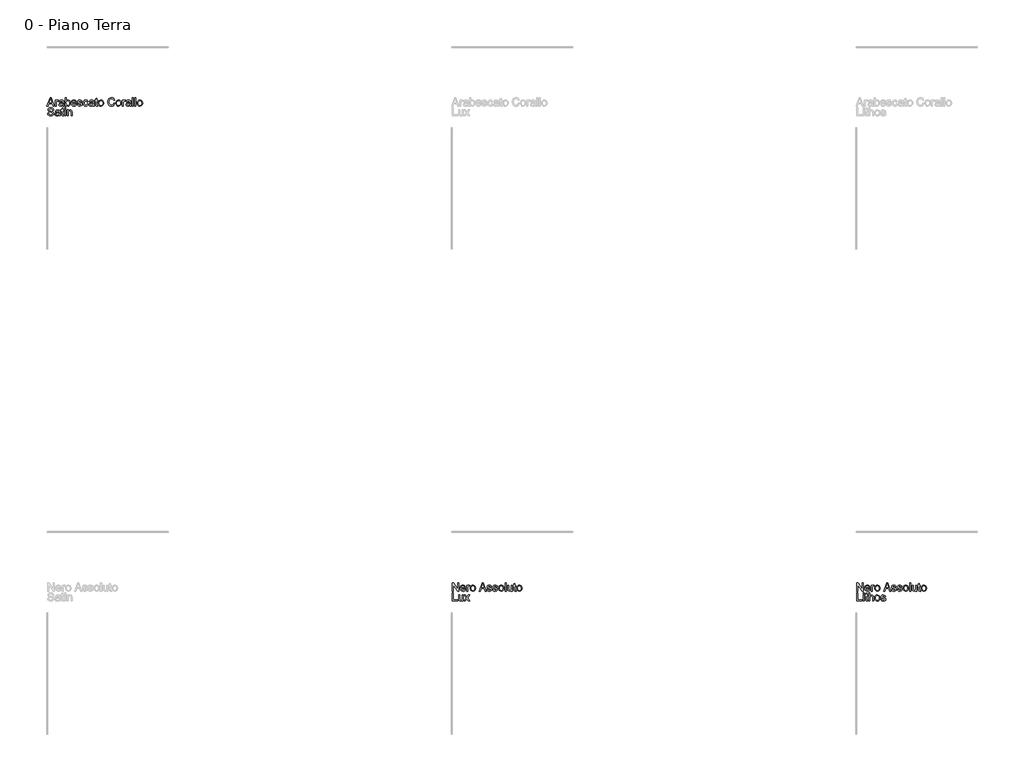
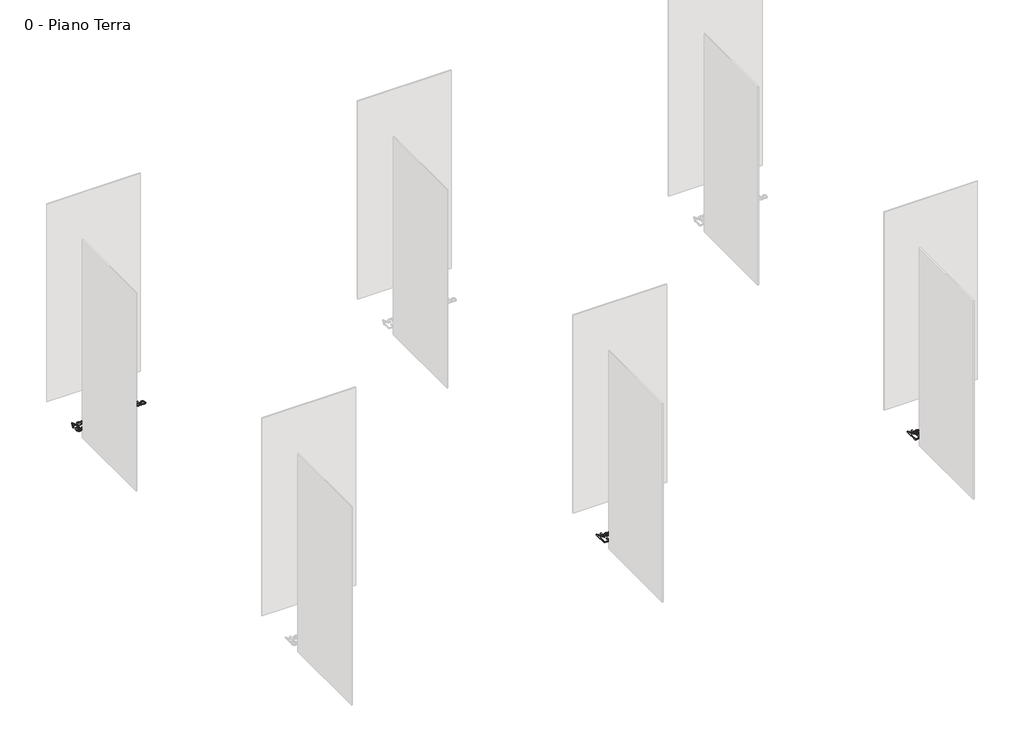
# One storey, part 30 of 35: 3 proxies.
"""IFC4 building model written with IfcOpenShell, lengths in millimetres."""

from ifc_helpers import new_model, si_unit, origin, origin_with_axes, place, context, project, spatial, polyline, outline, extrude, element, save

model = new_model("IFC4")

# Units and contexts
model_context = context("Model", 3, world=origin())
ifc_project = project(units=[si_unit("LENGTHUNIT", "METRE", prefix="MILLI")], contexts=[model_context])

# Site, building, storey
site = spatial("IfcSite", under=ifc_project)
building = spatial("IfcBuilding", under=site)
storey = spatial("IfcBuildingStorey", under=building, Name="0 - Piano Terra", Elevation=0.0)

# Proxies
placement = place(None, origin())
element("IfcBuildingElementProxy", 1, Name="Testo modello 1", ObjectType="Testo modello 1", at=placement, inside=storey, context=model_context, shape_type="SweptSolid", body=[
    extrude(outline(polyline([(2720.0306016, 5726.2407648), (2760.1297391, 5826.697075), (2770.8228424, 5826.697075), (2810.9219799, 5726.2407648), (2797.6537026, 5726.2407648), (2786.1512589, 5757.6333618), (2744.7767972, 5757.6333618), (2733.2988789, 5726.2407648), (2720.0306016, 5726.2407648)]), holes=[polyline([(2749.3875848, 5770.1904005), (2781.5649967, 5770.1904005), (2772.5150996, 5794.8875451), (2765.4762908, 5814.1400362), (2759.2222968, 5797.0457862), (2749.3875848, 5770.1904005)])]), origin_with_axes(), (0.0, 0.0, 1.0), 10.0),
    extrude(outline(polyline([(2822.7677801, 5726.2407648), (2822.7677801, 5800.0133676), (2833.7551891, 5800.0133676), (2833.7551891, 5789.0995351), (2841.5542874, 5799.1549763), (2849.4024366, 5801.5829975), (2862.0085263, 5797.7079738), (2857.8146716, 5786.4507847), (2848.9855037, 5789.0259587), (2841.8853812, 5786.5488866), (2837.3604326, 5779.681756), (2835.3248189, 5765.0155271), (2835.3248189, 5726.2407648), (2822.7677801, 5726.2407648)])), origin_with_axes(), (0.0, 0.0, 1.0), 10.0),
    extrude(outline(polyline([(2916.9455709, 5735.6585439), (2904.7686769, 5727.1482071), (2891.3164586, 5724.671135), (2880.8226247, 5726.1610571), (2873.0817744, 5730.6308233), (2868.3085055, 5737.4182461), (2866.7174158, 5745.8611379), (2869.1209115, 5755.7939518), (2875.4362191, 5763.0044389), (2884.2285988, 5767.1247172), (2895.0933804, 5769.0131782), (2916.8719945, 5773.3296602), (2916.9455709, 5776.1255634), (2913.4874802, 5785.3961897), (2899.6060662, 5789.0259587), (2886.9018746, 5786.6102003), (2880.8440845, 5778.0385498), (2868.2870457, 5779.6081796), (2873.7194365, 5791.8709128), (2884.6577945, 5799.0568744), (2901.224747, 5801.5829975), (2916.4427989, 5799.35118), (2925.0389748, 5793.747111), (2928.889473, 5785.2245114), (2929.5026097, 5774.2371025), (2929.5026097, 5758.6143804), (2930.1402718, 5736.7989781), (2932.6418694, 5726.2407648), (2920.0848306, 5726.2407648), (2916.9455709, 5735.6585439)]), holes=[polyline([(2916.9455709, 5760.7726215), (2896.6875357, 5756.9221232), (2885.8840678, 5754.8865095), (2880.9912373, 5751.5755716), (2879.2744546, 5746.7440547), (2883.0145882, 5739.9505005), (2893.9897344, 5737.2281738), (2906.693926, 5740.2325434), (2914.8854317, 5747.5043442), (2916.8719945, 5757.2164288), (2916.9455709, 5760.7726215)])]), origin_with_axes(), (0.0, 0.0, 1.0), 10.0),
    extrude(outline(polyline([(2959.3255768, 5726.2407648), (2946.768538, 5726.2407648), (2946.768538, 5826.697075), (2959.3255768, 5826.697075), (2959.3255768, 5789.4428916), (2968.1179564, 5798.547971), (2979.0440517, 5801.5829975), (2991.6256159, 5798.848408), (3001.3867515, 5791.1596743), (3007.3832281, 5779.2035094), (3009.5537318, 5764.2307122), (3007.306586, 5747.467556), (3000.5651484, 5734.9963563), (2990.6721884, 5727.2524403), (2978.9704753, 5724.671135), (2967.8052567, 5728.0004671), (2959.3255768, 5737.9884632), (2959.3255768, 5726.2407648)]), holes=[polyline([(2959.3255768, 5763.642101), (2962.759142, 5746.0818671), (2969.3380984, 5739.4415971), (2977.8913548, 5737.2281738), (2985.1386301, 5738.8591173), (2991.3313103, 5743.7519478), (2995.5803474, 5751.8760085), (2996.9966931, 5763.2006426), (2995.6385954, 5774.6908236), (2991.5643023, 5782.7229138), (2985.5647601, 5787.4501975), (2978.430915, 5789.0259587), (2971.1836397, 5787.3950152), (2964.9909595, 5782.5021846), (2960.7419224, 5774.5252767), (2959.3255768, 5763.642101)])]), origin_with_axes(), (0.0, 0.0, 1.0), 10.0),
    extrude(outline(polyline([(3075.3310326, 5748.2155827), (3087.6428167, 5746.6459528), (3083.206773, 5737.3691952), (3076.1281102, 5730.4346196), (3066.566244, 5726.1120062), (3054.6805899, 5724.671135), (3039.946916, 5727.1574042), (3028.6100192, 5734.6162116), (3021.381138, 5746.5631794), (3018.9715109, 5762.5139296), (3021.4056634, 5779.0011743), (3028.708121, 5791.3313525), (3039.8917337, 5799.0200862), (3053.9693514, 5801.5829975), (3067.6085764, 5799.0262176), (3078.5070805, 5791.355878), (3085.6531882, 5779.0502253), (3088.0352241, 5762.587506), (3087.9616477, 5759.2029916), (3031.5285497, 5759.2029916), (3033.7021191, 5749.8036066), (3038.7512995, 5742.8935565), (3046.0384287, 5738.6445195), (3054.9258446, 5737.2281738), (3067.2376287, 5739.8523987), (3075.3310326, 5748.2155827)]), holes=[polyline([(3031.5285497, 5771.7600304), (3075.4781854, 5771.7600304), (3070.4504648, 5783.1398468), (3063.1296131, 5787.5544307), (3053.9203005, 5789.0259587), (3038.4569939, 5784.3293319), (3033.5917545, 5778.8386931), (3031.5285497, 5771.7600304)])]), origin_with_axes(), (0.0, 0.0, 1.0), 10.0),
    extrude(outline(polyline([(3095.8833734, 5748.2155827), (3108.4404121, 5749.7852125), (3114.2529477, 5740.4655353), (3127.5702759, 5737.2281738), (3140.3725693, 5740.1957552), (3144.5418986, 5747.1609876), (3140.3480439, 5752.8018449), (3127.4231231, 5756.382563), (3108.5139885, 5762.5261923), (3100.2611691, 5769.6998912), (3097.4530032, 5779.8289088), (3099.7093461, 5789.1853742), (3105.8652382, 5796.3345477), (3113.8482775, 5800.0501558), (3124.6517454, 5801.5829975), (3139.9311109, 5799.1181881), (3149.6431956, 5792.4472612), (3153.9596777, 5781.1778095), (3141.4026389, 5779.6081796), (3136.6814866, 5786.5366239), (3125.632764, 5789.0259587), (3113.6152855, 5786.6469885), (3110.010042, 5781.1042331), (3111.5060954, 5777.4499386), (3116.1904595, 5774.6785609), (3127.0061902, 5772.005285), (3145.4370781, 5766.0946477), (3153.9964659, 5759.3991953), (3157.0989374, 5748.4853628), (3153.4569056, 5736.4678843), (3142.9477433, 5727.749081), (3127.3985976, 5724.671135), (3114.7373256, 5726.1549257), (3105.4973562, 5730.6062979), (3099.3292014, 5737.9762005), (3095.8833734, 5748.2155827)])), origin_with_axes(), (0.0, 0.0, 1.0), 10.0),
    extrude(outline(polyline([(3218.3145014, 5752.9244722), (3230.8715401, 5751.3548424), (3227.3705298, 5740.1865581), (3220.7915735, 5731.746732), (3211.7539391, 5726.4400343), (3200.8768948, 5724.671135), (3187.5197127, 5727.1390101), (3177.0749297, 5734.5426352), (3170.3334921, 5746.557048), (3168.0863463, 5762.8572861), (3171.9245818, 5783.7161952), (3183.6232292, 5797.1193626), (3200.7052165, 5801.5829975), (3211.3155464, 5800.0501558), (3219.7982921, 5795.4516309), (3225.8836734, 5788.0326773), (3229.3019103, 5778.0385498), (3216.7448715, 5776.4689199), (3210.9200733, 5785.8744363), (3200.8033184, 5789.0259587), (3192.6884547, 5787.4747229), (3186.2474541, 5782.8210157), (3182.0444023, 5774.8134509), (3180.6433851, 5763.2006426), (3182.0137455, 5751.4314845), (3186.1248268, 5743.3963286), (3192.4493314, 5738.7702125), (3200.4599619, 5737.2281738), (3212.2934994, 5741.078672), (3218.3145014, 5752.9244722)])), origin_with_axes(), (0.0, 0.0, 1.0), 10.0),
    extrude(outline(polyline([(3288.9478444, 5735.6585439), (3276.7709504, 5727.1482071), (3263.3187321, 5724.671135), (3252.8248982, 5726.1610571), (3245.0840479, 5730.6308233), (3240.310779, 5737.4182461), (3238.7196894, 5745.8611379), (3241.1231851, 5755.7939518), (3247.4384926, 5763.0044389), (3256.2308723, 5767.1247172), (3267.0956539, 5769.0131782), (3288.874268, 5773.3296602), (3288.9478444, 5776.1255634), (3285.4897537, 5785.3961897), (3271.6083397, 5789.0259587), (3258.9041482, 5786.6102003), (3252.846358, 5778.0385498), (3240.2893192, 5779.6081796), (3245.72171, 5791.8709128), (3256.660068, 5799.0568744), (3273.2270205, 5801.5829975), (3288.4450724, 5799.35118), (3297.0412483, 5793.747111), (3300.8917465, 5785.2245114), (3301.5048832, 5774.2371025), (3301.5048832, 5758.6143804), (3302.1425453, 5736.7989781), (3304.6441429, 5726.2407648), (3292.0871041, 5726.2407648), (3288.9478444, 5735.6585439)]), holes=[polyline([(3288.9478444, 5760.7726215), (3268.6898092, 5756.9221232), (3257.8863413, 5754.8865095), (3252.9935108, 5751.5755716), (3251.2767281, 5746.7440547), (3255.0168617, 5739.9505005), (3265.9920079, 5737.2281738), (3278.6961995, 5740.2325434), (3286.8877053, 5747.5043442), (3288.874268, 5757.2164288), (3288.9478444, 5760.7726215)])]), origin_with_axes(), (0.0, 0.0, 1.0), 10.0),
    extrude(outline(polyline([(3345.4545189, 5736.713139), (3347.0241487, 5725.8728829), (3337.6308951, 5724.671135), (3327.1094701, 5726.7557996), (3321.8610203, 5732.2249786), (3320.3404414, 5746.4742746), (3320.3404414, 5787.4563288), (3310.9226623, 5787.4563288), (3310.9226623, 5800.0133676), (3320.3404414, 5800.0133676), (3320.3404414, 5817.9414835), (3332.8974801, 5825.3236489), (3332.8974801, 5800.0133676), (3345.4545189, 5800.0133676), (3345.4545189, 5787.4563288), (3332.8974801, 5787.4563288), (3332.8974801, 5746.8421566), (3333.5596677, 5740.3674335), (3335.705646, 5738.0743024), (3339.9853399, 5737.2281738), (3345.4545189, 5736.713139)])), origin_with_axes(), (0.0, 0.0, 1.0), 10.0),
    extrude(outline(polyline([(3354.872298, 5763.1270662), (3357.5884934, 5780.9141607), (3365.7370796, 5793.4160172), (3375.8047835, 5799.5412524), (3387.8590502, 5801.5829975), (3401.0506854, 5799.0967283), (3411.5874389, 5791.6379209), (3418.4944234, 5779.7951863), (3420.7967515, 5764.1571358), (3416.7255241, 5741.814436), (3404.8674611, 5729.1715581), (3387.8590502, 5724.671135), (3374.5079995, 5727.1482071), (3363.9835087, 5734.5794234), (3357.1501007, 5746.6704783), (3354.872298, 5763.1270662)]), holes=[polyline([(3367.4293367, 5763.1515917), (3368.8824706, 5751.7871037), (3373.2418723, 5743.6906342), (3379.8024345, 5738.8437889), (3387.8590502, 5737.2281738), (3395.8788777, 5738.8529859), (3402.4271772, 5743.7274224), (3406.7865789, 5751.9311908), (3408.2397127, 5763.5439992), (3406.7773818, 5774.5773933), (3402.390389, 5782.5634983), (3395.8328925, 5787.4103436), (3387.8590502, 5789.0259587), (3379.8024345, 5787.416475), (3373.2418723, 5782.5880238), (3368.8824706, 5774.5099483), (3367.4293367, 5763.1515917)])]), origin_with_axes(), (0.0, 0.0, 1.0), 10.0),
    extrude(outline(polyline([(3546.3671392, 5761.9498438), (3558.924178, 5758.7124823), (3553.1300365, 5744.0799759), (3544.0372199, 5733.3899383), (3532.0933178, 5726.8508358), (3517.74592, 5724.671135), (3503.1808586, 5726.3204726), (3491.6140356, 5731.2684854), (3482.7480795, 5739.3434952), (3476.2856191, 5750.3738237), (3471.0249066, 5777.2292094), (3472.511763, 5791.8770442), (3476.9723322, 5804.5260534), (3484.1736222, 5814.7746327), (3493.8826412, 5822.2211774), (3505.3973477, 5826.755323), (3518.0157001, 5828.2667048), (3531.7836838, 5826.3107989), (3543.1665658, 5820.4430811), (3551.808727, 5811.025302), (3557.3545481, 5798.4192123), (3544.7975093, 5795.4271054), (3534.4968135, 5810.8658865), (3517.5251908, 5815.7096661), (3497.8802922, 5810.3385889), (3486.7825187, 5795.9176147), (3483.5819454, 5777.2537348), (3487.3711299, 5755.6222735), (3499.1678792, 5741.8021732), (3516.4951212, 5737.2281738), (3526.9766924, 5738.7855409), (3535.7108241, 5743.4576422), (3542.3051088, 5751.1954269), (3546.3671392, 5761.9498438)])), origin_with_axes(), (0.0, 0.0, 1.0), 10.0),
    extrude(outline(polyline([(3571.4812167, 5763.1270662), (3574.1974121, 5780.9141607), (3582.3459983, 5793.4160172), (3592.4137023, 5799.5412524), (3604.467969, 5801.5829975), (3617.6596042, 5799.0967283), (3628.1963577, 5791.6379209), (3635.1033421, 5779.7951863), (3637.4056703, 5764.1571358), (3633.3344429, 5741.814436), (3621.4763799, 5729.1715581), (3604.467969, 5724.671135), (3591.1169182, 5727.1482071), (3580.5924275, 5734.5794234), (3573.7590194, 5746.6704783), (3571.4812167, 5763.1270662)]), holes=[polyline([(3584.0382555, 5763.1515917), (3585.4913894, 5751.7871037), (3589.850791, 5743.6906342), (3596.4113533, 5738.8437889), (3604.467969, 5737.2281738), (3612.4877965, 5738.8529859), (3619.036096, 5743.7274224), (3623.3954976, 5751.9311908), (3624.8486315, 5763.5439992), (3623.3863006, 5774.5773933), (3618.9993078, 5782.5634983), (3612.4418112, 5787.4103436), (3604.467969, 5789.0259587), (3596.4113533, 5787.416475), (3589.850791, 5782.5880238), (3585.4913894, 5774.5099483), (3584.0382555, 5763.1515917)])]), origin_with_axes(), (0.0, 0.0, 1.0), 10.0),
    extrude(outline(polyline([(3651.5323389, 5726.2407648), (3651.5323389, 5800.0133676), (3662.5197478, 5800.0133676), (3662.5197478, 5789.0995351), (3670.3188461, 5799.1549763), (3678.1669953, 5801.5829975), (3690.773085, 5797.7079738), (3686.5792303, 5786.4507847), (3677.7500624, 5789.0259587), (3670.6499399, 5786.5488866), (3666.1249914, 5779.681756), (3664.0893777, 5765.0155271), (3664.0893777, 5726.2407648), (3651.5323389, 5726.2407648)])), origin_with_axes(), (0.0, 0.0, 1.0), 10.0),
    extrude(outline(polyline([(3745.7101296, 5735.6585439), (3733.5332356, 5727.1482071), (3720.0810173, 5724.671135), (3709.5871834, 5726.1610571), (3701.8463331, 5730.6308233), (3697.0730642, 5737.4182461), (3695.4819746, 5745.8611379), (3697.8854703, 5755.7939518), (3704.2007779, 5763.0044389), (3712.9931575, 5767.1247172), (3723.8579391, 5769.0131782), (3745.6365532, 5773.3296602), (3745.7101296, 5776.1255634), (3742.2520389, 5785.3961897), (3728.3706249, 5789.0259587), (3715.6664334, 5786.6102003), (3709.6086432, 5778.0385498), (3697.0516044, 5779.6081796), (3702.4839952, 5791.8709128), (3713.4223532, 5799.0568744), (3729.9893057, 5801.5829975), (3745.2073576, 5799.35118), (3753.8035335, 5793.747111), (3757.6540318, 5785.2245114), (3758.2671684, 5774.2371025), (3758.2671684, 5758.6143804), (3758.9048305, 5736.7989781), (3761.4064281, 5726.2407648), (3748.8493893, 5726.2407648), (3745.7101296, 5735.6585439)]), holes=[polyline([(3745.7101296, 5760.7726215), (3725.4520944, 5756.9221232), (3714.6486265, 5754.8865095), (3709.755796, 5751.5755716), (3708.0390133, 5746.7440547), (3711.779147, 5739.9505005), (3722.7542931, 5737.2281738), (3735.4584847, 5740.2325434), (3743.6499905, 5747.5043442), (3745.6365532, 5757.2164288), (3745.7101296, 5760.7726215)])]), origin_with_axes(), (0.0, 0.0, 1.0), 10.0),
    extrude(outline(polyline([(3775.5330967, 5726.2407648), (3775.5330967, 5826.697075), (3788.0901355, 5826.697075), (3788.0901355, 5726.2407648), (3775.5330967, 5726.2407648)])), origin_with_axes(), (0.0, 0.0, 1.0), 10.0),
    extrude(outline(polyline([(3806.9256936, 5726.2407648), (3806.9256936, 5826.697075), (3819.4827324, 5826.697075), (3819.4827324, 5726.2407648), (3806.9256936, 5726.2407648)])), origin_with_axes(), (0.0, 0.0, 1.0), 10.0),
    extrude(outline(polyline([(3835.1790309, 5763.1270662), (3837.8952263, 5780.9141607), (3846.0438125, 5793.4160172), (3856.1115164, 5799.5412524), (3868.1657831, 5801.5829975), (3881.3574183, 5799.0967283), (3891.8941718, 5791.6379209), (3898.8011563, 5779.7951863), (3901.1034844, 5764.1571358), (3897.032257, 5741.814436), (3885.174194, 5729.1715581), (3868.1657831, 5724.671135), (3854.8147324, 5727.1482071), (3844.2902416, 5734.5794234), (3837.4568336, 5746.6704783), (3835.1790309, 5763.1270662)]), holes=[polyline([(3847.7360696, 5763.1515917), (3849.1892035, 5751.7871037), (3853.5486052, 5743.6906342), (3860.1091674, 5738.8437889), (3868.1657831, 5737.2281738), (3876.1856106, 5738.8529859), (3882.7339101, 5743.7274224), (3887.0933118, 5751.9311908), (3888.5464456, 5763.5439992), (3887.0841147, 5774.5773933), (3882.6971219, 5782.5634983), (3876.1396254, 5787.4103436), (3868.1657831, 5789.0259587), (3860.1091674, 5787.416475), (3853.5486052, 5782.5880238), (3849.1892035, 5774.5099483), (3847.7360696, 5763.1515917)])]), origin_with_axes(), (0.0, 0.0, 1.0), 10.0),
    extrude(outline(polyline([(2727.0203595, 5638.7978036), (2739.5773983, 5638.7978036), (2743.6241003, 5626.2285021), (2753.5078632, 5618.282251), (2768.5664995, 5615.2533559), (2781.687624, 5617.546487), (2790.1611726, 5623.8495319), (2792.9448131, 5632.2740296), (2790.8601484, 5640.1099161), (2782.3252861, 5645.812087), (2764.041551, 5650.6068157), (2744.3598642, 5656.7994959), (2733.6790237, 5666.1436986), (2730.1596192, 5678.627161), (2734.5128895, 5692.8396687), (2747.2293438, 5702.8705844), (2765.8441728, 5706.291887), (2785.7098005, 5702.7111689), (2798.9535523, 5692.1897439), (2803.932222, 5676.4689199), (2791.3751832, 5676.4689199), (2789.0697894, 5683.9614499), (2784.262798, 5689.3693152), (2766.3346821, 5693.7348482), (2748.3575153, 5689.4183662), (2742.716658, 5678.995043), (2746.714309, 5670.2885024), (2767.2175989, 5663.274219), (2789.4376714, 5656.9711742), (2801.59004, 5646.7931056), (2805.5018518, 5632.5928606), (2801.0014288, 5617.5710125), (2788.0519825, 5606.608129), (2769.0570089, 5602.6963172), (2746.6284699, 5606.9146974), (2732.4404876, 5619.6188889), (2727.0203595, 5638.7978036)])), origin_with_axes(), (0.0, 0.0, 1.0), 10.0),
    extrude(outline(polyline([(2869.8566755, 5613.6837261), (2857.6797815, 5605.1733893), (2844.2275632, 5602.6963172), (2833.7337293, 5604.1862392), (2825.992879, 5608.6560055), (2821.2196101, 5615.4434283), (2819.6285205, 5623.8863201), (2822.0320162, 5633.8191339), (2828.3473237, 5641.0296211), (2837.1397034, 5645.1498994), (2848.004485, 5647.0383603), (2869.7830991, 5651.3548424), (2869.8566755, 5654.1507455), (2866.3985848, 5663.4213718), (2852.5171708, 5667.0511408), (2839.8129793, 5664.6353824), (2833.7551891, 5656.0637319), (2821.1981503, 5657.6333618), (2826.6305411, 5669.8960949), (2837.5688991, 5677.0820566), (2854.1358516, 5679.6081796), (2869.3539035, 5677.3763622), (2877.9500794, 5671.7722931), (2881.8005776, 5663.2496936), (2882.4137143, 5652.2622846), (2882.4137143, 5636.6395626), (2883.0513764, 5614.8241603), (2885.552974, 5604.265947), (2872.9959352, 5604.265947), (2869.8566755, 5613.6837261)]), holes=[polyline([(2869.8566755, 5638.7978036), (2849.5986403, 5634.9473054), (2838.7951724, 5632.9116917), (2833.9023419, 5629.6007537), (2832.1855592, 5624.7692369), (2835.9256928, 5617.9756827), (2846.900839, 5615.2533559), (2859.6050306, 5618.2577256), (2867.7965364, 5625.5295263), (2869.7830991, 5635.241611), (2869.8566755, 5638.7978036)])]), origin_with_axes(), (0.0, 0.0, 1.0), 10.0),
    extrude(outline(polyline([(2926.36335, 5614.7383211), (2927.9329798, 5603.898065), (2918.5397262, 5602.6963172), (2908.0183012, 5604.7809818), (2902.7698514, 5610.2501608), (2901.2492725, 5624.4994567), (2901.2492725, 5665.481511), (2891.8314934, 5665.481511), (2891.8314934, 5678.0385498), (2901.2492725, 5678.0385498), (2901.2492725, 5695.9666657), (2913.8063112, 5703.348831), (2913.8063112, 5678.0385498), (2926.36335, 5678.0385498), (2926.36335, 5665.481511), (2913.8063112, 5665.481511), (2913.8063112, 5624.8673387), (2914.4684988, 5618.3926156), (2916.6144771, 5616.0994845), (2920.894171, 5615.2533559), (2926.36335, 5614.7383211)])), origin_with_axes(), (0.0, 0.0, 1.0), 10.0),
    extrude(outline(polyline([(2938.9203888, 5692.1652184), (2938.9203888, 5704.7222572), (2951.4774275, 5704.7222572), (2951.4774275, 5692.1652184), (2938.9203888, 5692.1652184)])), origin_with_axes(), (0.0, 0.0, 1.0), 10.0),
    extrude(outline(polyline([(2938.9203888, 5604.265947), (2938.9203888, 5678.0385498), (2951.4774275, 5678.0385498), (2951.4774275, 5604.265947), (2938.9203888, 5604.265947)])), origin_with_axes(), (0.0, 0.0, 1.0), 10.0),
    extrude(outline(polyline([(2970.3129857, 5604.265947), (2970.3129857, 5678.0385498), (2982.8700244, 5678.0385498), (2982.8700244, 5667.7378539), (2992.4717445, 5676.6405982), (3005.5806063, 5679.6081796), (3017.4386693, 5677.2169466), (3025.5320732, 5670.9384273), (3029.2967322, 5661.7045892), (3029.9589198, 5649.5644833), (3029.9589198, 5604.265947), (3017.4018811, 5604.265947), (3017.4018811, 5647.8722262), (3015.9548785, 5658.9822624), (3010.8413188, 5664.8561116), (3002.2206174, 5667.0511408), (2988.5967208, 5662.1215221), (2984.3016985, 5654.97848), (2982.8700244, 5643.4085913), (2982.8700244, 5604.265947), (2970.3129857, 5604.265947)])), origin_with_axes(), (0.0, 0.0, 1.0), 10.0),
])
element("IfcBuildingElementProxy", 2, Name="Testo modello 1", ObjectType="Testo modello 1", at=placement, inside=storey, context=model_context, shape_type="SweptSolid", body=[
    extrude(outline(polyline([(7731.7292491, -273.7592352), (7731.7292491, -173.302925), (7745.1692046, -173.302925), (7797.6537026, -252.8880633), (7797.6537026, -173.302925), (7810.2107414, -173.302925), (7810.2107414, -273.7592352), (7796.7707858, -273.7592352), (7744.2862878, -194.1495714), (7744.2862878, -273.7592352), (7731.7292491, -273.7592352)])), origin_with_axes(), (0.0, 0.0, 1.0), 10.0),
    extrude(outline(polyline([(7882.2665615, -251.7844173), (7894.5783456, -253.3540472), (7890.1423019, -262.6308048), (7883.0636392, -269.5653804), (7873.501773, -273.8879938), (7861.6161188, -275.328865), (7846.8824449, -272.8425958), (7835.5455481, -265.3837884), (7828.3166669, -253.4368206), (7825.9070398, -237.4860704), (7828.3411924, -220.9988257), (7835.64365, -208.6686475), (7846.8272626, -200.9799138), (7860.9048803, -198.4170025), (7874.5441053, -200.9737824), (7885.4426094, -208.644122), (7892.5887171, -220.9497747), (7894.9707531, -237.412494), (7894.8971767, -240.7970084), (7838.4640786, -240.7970084), (7840.6376481, -250.1963934), (7845.6868284, -257.1064435), (7852.9739576, -261.3554805), (7861.8613735, -262.7718262), (7874.1731576, -260.1476013), (7882.2665615, -251.7844173)]), holes=[polyline([(7838.4640786, -228.2399696), (7882.4137143, -228.2399696), (7877.3859937, -216.8601532), (7870.065142, -212.4455693), (7860.8558294, -210.9740413), (7845.3925229, -215.6706681), (7840.5272835, -221.1613069), (7838.4640786, -228.2399696)])]), origin_with_axes(), (0.0, 0.0, 1.0), 10.0),
    extrude(outline(polyline([(7907.5277918, -273.7592352), (7907.5277918, -199.9866324), (7918.5152008, -199.9866324), (7918.5152008, -210.9004649), (7926.3142991, -200.8450237), (7934.1624483, -198.4170025), (7946.768538, -202.2920262), (7942.5746832, -213.5492153), (7933.7455154, -210.9740413), (7926.6453929, -213.4511134), (7922.1204443, -220.318244), (7920.0848306, -234.9844729), (7920.0848306, -273.7592352), (7907.5277918, -273.7592352)])), origin_with_axes(), (0.0, 0.0, 1.0), 10.0),
    extrude(outline(polyline([(7951.4774275, -236.8729338), (7954.1936229, -219.0858393), (7962.3422091, -206.5839828), (7972.4099131, -200.4587476), (7984.4641798, -198.4170025), (7997.655815, -200.9032717), (8008.1925685, -208.3620791), (8015.0995529, -220.2048137), (8017.4018811, -235.8428642), (8013.3306537, -258.185564), (8001.4725907, -270.8284419), (7984.4641798, -275.328865), (7971.113129, -272.8517929), (7960.5886383, -265.4205766), (7953.7552302, -253.3295217), (7951.4774275, -236.8729338)]), holes=[polyline([(7964.0344663, -236.8484083), (7965.4876002, -248.2128963), (7969.8470018, -256.3093658), (7976.4075641, -261.1562111), (7984.4641798, -262.7718262), (7992.4840073, -261.1470141), (7999.0323068, -256.2725776), (8003.3917084, -248.0688092), (8004.8448423, -236.4560008), (8003.3825114, -225.4226067), (7998.9955186, -217.4365017), (7992.438022, -212.5896564), (7984.4641798, -210.9740413), (7976.4075641, -212.583525), (7969.8470018, -217.4119762), (7965.4876002, -225.4900517), (7964.0344663, -236.8484083)])]), origin_with_axes(), (0.0, 0.0, 1.0), 10.0),
    extrude(outline(polyline([(8060.6402782, -273.7592352), (8100.7394157, -173.302925), (8111.432519, -173.302925), (8151.5316565, -273.7592352), (8138.2633792, -273.7592352), (8126.7609355, -242.3666382), (8085.3864738, -242.3666382), (8073.9085555, -273.7592352), (8060.6402782, -273.7592352)]), holes=[polyline([(8089.9972614, -229.8095995), (8122.1746733, -229.8095995), (8113.1247762, -205.1124549), (8106.0859674, -185.8599638), (8099.8319734, -202.9542138), (8089.9972614, -229.8095995)])]), origin_with_axes(), (0.0, 0.0, 1.0), 10.0),
    extrude(outline(polyline([(8158.6685672, -251.7844173), (8171.225606, -250.2147875), (8177.0381415, -259.5344647), (8190.3554697, -262.7718262), (8203.1577632, -259.8042448), (8207.3270924, -252.8390124), (8203.1332377, -247.1981551), (8190.2083169, -243.617437), (8171.2991824, -237.4738077), (8163.046363, -230.3001088), (8160.2381971, -220.1710912), (8162.49454, -210.8146258), (8168.650432, -203.6654523), (8176.6334713, -199.9498442), (8187.4369392, -198.4170025), (8202.7163048, -200.8818119), (8212.4283894, -207.5527388), (8216.7448715, -218.8221905), (8204.1878327, -220.3918204), (8199.4666805, -213.4633761), (8188.4179579, -210.9740413), (8176.4004794, -213.3530115), (8172.7952358, -218.8957669), (8174.2912893, -222.5500614), (8178.9756533, -225.3214391), (8189.791384, -227.994715), (8208.222272, -233.9053523), (8216.7816597, -240.6008047), (8219.8841312, -251.5146372), (8216.2420995, -263.5321157), (8205.7329371, -272.250919), (8190.1837915, -275.328865), (8177.5225195, -273.8450743), (8168.28255, -269.3937021), (8162.1143952, -262.0237995), (8158.6685672, -251.7844173)])), origin_with_axes(), (0.0, 0.0, 1.0), 10.0),
    extrude(outline(polyline([(8229.3019103, -251.7844173), (8241.8589491, -250.2147875), (8247.6714846, -259.5344647), (8260.9888128, -262.7718262), (8273.7911062, -259.8042448), (8277.9604355, -252.8390124), (8273.7665808, -247.1981551), (8260.84166, -243.617437), (8241.9325255, -237.4738077), (8233.679706, -230.3001088), (8230.8715401, -220.1710912), (8233.127883, -210.8146258), (8239.2837751, -203.6654523), (8247.2668144, -199.9498442), (8258.0702823, -198.4170025), (8273.3496478, -200.8818119), (8283.0617325, -207.5527388), (8287.3782146, -218.8221905), (8274.8211758, -220.3918204), (8270.1000236, -213.4633761), (8259.051301, -210.9740413), (8247.0338225, -213.3530115), (8243.4285789, -218.8957669), (8244.9246323, -222.5500614), (8249.6089964, -225.3214391), (8260.4247271, -227.994715), (8278.855615, -233.9053523), (8287.4150028, -240.6008047), (8290.5174743, -251.5146372), (8286.8754425, -263.5321157), (8276.3662802, -272.250919), (8260.8171345, -275.328865), (8248.1558625, -273.8450743), (8238.9158931, -269.3937021), (8232.7477383, -262.0237995), (8229.3019103, -251.7844173)])), origin_with_axes(), (0.0, 0.0, 1.0), 10.0),
    extrude(outline(polyline([(8301.5048832, -236.8729338), (8304.2210786, -219.0858393), (8312.3696648, -206.5839828), (8322.4373687, -200.4587476), (8334.4916354, -198.4170025), (8347.6832707, -200.9032717), (8358.2200241, -208.3620791), (8365.1270086, -220.2048137), (8367.4293367, -235.8428642), (8363.3581093, -258.185564), (8351.5000463, -270.8284419), (8334.4916354, -275.328865), (8321.1405847, -272.8517929), (8310.616094, -265.4205766), (8303.7826859, -253.3295217), (8301.5048832, -236.8729338)]), holes=[polyline([(8314.061922, -236.8484083), (8315.5150559, -248.2128963), (8319.8744575, -256.3093658), (8326.4350197, -261.1562111), (8334.4916354, -262.7718262), (8342.5114629, -261.1470141), (8349.0597624, -256.2725776), (8353.4191641, -248.0688092), (8354.872298, -236.4560008), (8353.409967, -225.4226067), (8349.0229742, -217.4365017), (8342.4654777, -212.5896564), (8334.4916354, -210.9740413), (8326.4350197, -212.583525), (8319.8744575, -217.4119762), (8315.5150559, -225.4900517), (8314.061922, -236.8484083)])]), origin_with_axes(), (0.0, 0.0, 1.0), 10.0),
    extrude(outline(polyline([(8381.5560054, -273.7592352), (8381.5560054, -173.302925), (8394.1130441, -173.302925), (8394.1130441, -273.7592352), (8381.5560054, -273.7592352)])), origin_with_axes(), (0.0, 0.0, 1.0), 10.0),
    extrude(outline(polyline([(8460.0374977, -273.7592352), (8460.0374977, -261.0795691), (8450.2027857, -271.766541), (8437.3759668, -275.328865), (8425.5669547, -272.8272674), (8417.4244999, -266.548748), (8413.6843663, -257.3026472), (8412.9486023, -245.6285253), (8412.9486023, -199.9866324), (8425.505641, -199.9866324), (8425.505641, -239.7178879), (8426.2659305, -252.5201813), (8431.2323374, -260.0372367), (8440.5888028, -262.7718262), (8451.0734397, -259.9759231), (8458.001884, -252.3607658), (8460.0374977, -238.3689872), (8460.0374977, -199.9866324), (8472.5945364, -199.9866324), (8472.5945364, -273.7592352), (8460.0374977, -273.7592352)])), origin_with_axes(), (0.0, 0.0, 1.0), 10.0),
    extrude(outline(polyline([(8516.5441721, -263.286861), (8518.113802, -274.1271171), (8508.7205484, -275.328865), (8498.1991233, -273.2442004), (8492.9506735, -267.7750214), (8491.4300946, -253.5257254), (8491.4300946, -212.5436712), (8482.0123155, -212.5436712), (8482.0123155, -199.9866324), (8491.4300946, -199.9866324), (8491.4300946, -182.0585165), (8503.9871334, -174.6763511), (8503.9871334, -199.9866324), (8516.5441721, -199.9866324), (8516.5441721, -212.5436712), (8503.9871334, -212.5436712), (8503.9871334, -253.1578434), (8504.6493209, -259.6325665), (8506.7952992, -261.9256976), (8511.0749931, -262.7718262), (8516.5441721, -263.286861)])), origin_with_axes(), (0.0, 0.0, 1.0), 10.0),
    extrude(outline(polyline([(8525.9619512, -236.8729338), (8528.6781466, -219.0858393), (8536.8267328, -206.5839828), (8546.8944367, -200.4587476), (8558.9487034, -198.4170025), (8572.1403386, -200.9032717), (8582.6770921, -208.3620791), (8589.5840766, -220.2048137), (8591.8864047, -235.8428642), (8587.8151773, -258.185564), (8575.9571143, -270.8284419), (8558.9487034, -275.328865), (8545.5976527, -272.8517929), (8535.0731619, -265.4205766), (8528.2397539, -253.3295217), (8525.9619512, -236.8729338)]), holes=[polyline([(8538.51899, -236.8484083), (8539.9721238, -248.2128963), (8544.3315255, -256.3093658), (8550.8920877, -261.1562111), (8558.9487034, -262.7718262), (8566.9685309, -261.1470141), (8573.5168304, -256.2725776), (8577.8762321, -248.0688092), (8579.329366, -236.4560008), (8577.867035, -225.4226067), (8573.4800422, -217.4365017), (8566.9225457, -212.5896564), (8558.9487034, -210.9740413), (8550.8920877, -212.583525), (8544.3315255, -217.4119762), (8539.9721238, -225.4900517), (8538.51899, -236.8484083)])]), origin_with_axes(), (0.0, 0.0, 1.0), 10.0),
    extrude(outline(polyline([(7731.7292491, -395.734053), (7731.7292491, -295.2777428), (7744.2862878, -295.2777428), (7744.2862878, -383.1770142), (7794.5144429, -383.1770142), (7794.5144429, -395.734053), (7731.7292491, -395.734053)])), origin_with_axes(), (0.0, 0.0, 1.0), 10.0),
    extrude(outline(polyline([(7854.1603771, -395.734053), (7854.1603771, -383.0543869), (7844.3256651, -393.7413589), (7831.4988462, -397.3036828), (7819.6898341, -394.8020853), (7811.5473793, -388.5235659), (7807.8072457, -379.2774651), (7807.0714817, -367.6033431), (7807.0714817, -321.9614502), (7819.6285205, -321.9614502), (7819.6285205, -361.6927057), (7820.3888099, -374.4949991), (7825.3552168, -382.0120546), (7834.7116823, -384.7466441), (7845.1963191, -381.9507409), (7852.1247634, -374.3355836), (7854.1603771, -360.3438051), (7854.1603771, -321.9614502), (7866.7174158, -321.9614502), (7866.7174158, -395.734053), (7854.1603771, -395.734053)])), origin_with_axes(), (0.0, 0.0, 1.0), 10.0),
    extrude(outline(polyline([(7876.1351949, -395.734053), (7902.9660551, -358.6515479), (7877.7048248, -321.9614502), (7892.812512, -321.9614502), (7905.0016688, -339.619786), (7910.691577, -347.9584446), (7915.6211957, -341.1403649), (7929.5026097, -321.9614502), (7944.610297, -321.9614502), (7918.0737424, -358.6515479), (7943.6292783, -395.734053), (7928.521591, -395.734053), (7913.1441236, -373.4404041), (7910.323695, -369.3691767), (7891.2428822, -395.734053), (7876.1351949, -395.734053)])), origin_with_axes(), (0.0, 0.0, 1.0), 10.0),
])
element("IfcBuildingElementProxy", 3, Name="Testo modello 1", ObjectType="Testo modello 1", at=placement, inside=storey, context=model_context, shape_type="SweptSolid", body=[
    extrude(outline(polyline([(12731.7292491, -273.7592352), (12731.7292491, -173.302925), (12745.1692046, -173.302925), (12797.6537026, -252.8880633), (12797.6537026, -173.302925), (12810.2107414, -173.302925), (12810.2107414, -273.7592352), (12796.7707858, -273.7592352), (12744.2862878, -194.1495714), (12744.2862878, -273.7592352), (12731.7292491, -273.7592352)])), origin_with_axes(), (0.0, 0.0, 1.0), 10.0),
    extrude(outline(polyline([(12882.2665615, -251.7844173), (12894.5783456, -253.3540472), (12890.1423019, -262.6308048), (12883.0636392, -269.5653804), (12873.501773, -273.8879938), (12861.6161188, -275.328865), (12846.8824449, -272.8425958), (12835.5455481, -265.3837884), (12828.3166669, -253.4368206), (12825.9070398, -237.4860704), (12828.3411924, -220.9988257), (12835.64365, -208.6686475), (12846.8272626, -200.9799138), (12860.9048803, -198.4170025), (12874.5441053, -200.9737824), (12885.4426094, -208.644122), (12892.5887171, -220.9497747), (12894.9707531, -237.412494), (12894.8971767, -240.7970084), (12838.4640786, -240.7970084), (12840.6376481, -250.1963934), (12845.6868284, -257.1064435), (12852.9739576, -261.3554805), (12861.8613735, -262.7718262), (12874.1731576, -260.1476013), (12882.2665615, -251.7844173)]), holes=[polyline([(12838.4640786, -228.2399696), (12882.4137143, -228.2399696), (12877.3859937, -216.8601532), (12870.065142, -212.4455693), (12860.8558294, -210.9740413), (12845.3925229, -215.6706681), (12840.5272835, -221.1613069), (12838.4640786, -228.2399696)])]), origin_with_axes(), (0.0, 0.0, 1.0), 10.0),
    extrude(outline(polyline([(12907.5277918, -273.7592352), (12907.5277918, -199.9866324), (12918.5152008, -199.9866324), (12918.5152008, -210.9004649), (12926.3142991, -200.8450237), (12934.1624483, -198.4170025), (12946.768538, -202.2920262), (12942.5746832, -213.5492153), (12933.7455154, -210.9740413), (12926.6453929, -213.4511134), (12922.1204443, -220.318244), (12920.0848306, -234.9844729), (12920.0848306, -273.7592352), (12907.5277918, -273.7592352)])), origin_with_axes(), (0.0, 0.0, 1.0), 10.0),
    extrude(outline(polyline([(12951.4774275, -236.8729338), (12954.1936229, -219.0858393), (12962.3422091, -206.5839828), (12972.4099131, -200.4587476), (12984.4641798, -198.4170025), (12997.655815, -200.9032717), (13008.1925685, -208.3620791), (13015.0995529, -220.2048137), (13017.4018811, -235.8428642), (13013.3306537, -258.185564), (13001.4725907, -270.8284419), (12984.4641798, -275.328865), (12971.113129, -272.8517929), (12960.5886383, -265.4205766), (12953.7552302, -253.3295217), (12951.4774275, -236.8729338)]), holes=[polyline([(12964.0344663, -236.8484083), (12965.4876002, -248.2128963), (12969.8470018, -256.3093658), (12976.4075641, -261.1562111), (12984.4641798, -262.7718262), (12992.4840073, -261.1470141), (12999.0323068, -256.2725776), (13003.3917084, -248.0688092), (13004.8448423, -236.4560008), (13003.3825114, -225.4226067), (12998.9955186, -217.4365017), (12992.438022, -212.5896564), (12984.4641798, -210.9740413), (12976.4075641, -212.583525), (12969.8470018, -217.4119762), (12965.4876002, -225.4900517), (12964.0344663, -236.8484083)])]), origin_with_axes(), (0.0, 0.0, 1.0), 10.0),
    extrude(outline(polyline([(13060.6402782, -273.7592352), (13100.7394157, -173.302925), (13111.432519, -173.302925), (13151.5316565, -273.7592352), (13138.2633792, -273.7592352), (13126.7609355, -242.3666382), (13085.3864738, -242.3666382), (13073.9085555, -273.7592352), (13060.6402782, -273.7592352)]), holes=[polyline([(13089.9972614, -229.8095995), (13122.1746733, -229.8095995), (13113.1247762, -205.1124549), (13106.0859674, -185.8599638), (13099.8319734, -202.9542138), (13089.9972614, -229.8095995)])]), origin_with_axes(), (0.0, 0.0, 1.0), 10.0),
    extrude(outline(polyline([(13158.6685672, -251.7844173), (13171.225606, -250.2147875), (13177.0381415, -259.5344647), (13190.3554697, -262.7718262), (13203.1577632, -259.8042448), (13207.3270924, -252.8390124), (13203.1332377, -247.1981551), (13190.2083169, -243.617437), (13171.2991824, -237.4738077), (13163.046363, -230.3001088), (13160.2381971, -220.1710912), (13162.49454, -210.8146258), (13168.650432, -203.6654523), (13176.6334713, -199.9498442), (13187.4369392, -198.4170025), (13202.7163048, -200.8818119), (13212.4283894, -207.5527388), (13216.7448715, -218.8221905), (13204.1878327, -220.3918204), (13199.4666805, -213.4633761), (13188.4179579, -210.9740413), (13176.4004794, -213.3530115), (13172.7952358, -218.8957669), (13174.2912893, -222.5500614), (13178.9756533, -225.3214391), (13189.791384, -227.994715), (13208.222272, -233.9053523), (13216.7816597, -240.6008047), (13219.8841312, -251.5146372), (13216.2420995, -263.5321157), (13205.7329371, -272.250919), (13190.1837915, -275.328865), (13177.5225195, -273.8450743), (13168.28255, -269.3937021), (13162.1143952, -262.0237995), (13158.6685672, -251.7844173)])), origin_with_axes(), (0.0, 0.0, 1.0), 10.0),
    extrude(outline(polyline([(13229.3019103, -251.7844173), (13241.8589491, -250.2147875), (13247.6714846, -259.5344647), (13260.9888128, -262.7718262), (13273.7911062, -259.8042448), (13277.9604355, -252.8390124), (13273.7665808, -247.1981551), (13260.84166, -243.617437), (13241.9325255, -237.4738077), (13233.679706, -230.3001088), (13230.8715401, -220.1710912), (13233.127883, -210.8146258), (13239.2837751, -203.6654523), (13247.2668144, -199.9498442), (13258.0702823, -198.4170025), (13273.3496478, -200.8818119), (13283.0617325, -207.5527388), (13287.3782146, -218.8221905), (13274.8211758, -220.3918204), (13270.1000236, -213.4633761), (13259.051301, -210.9740413), (13247.0338225, -213.3530115), (13243.4285789, -218.8957669), (13244.9246323, -222.5500614), (13249.6089964, -225.3214391), (13260.4247271, -227.994715), (13278.855615, -233.9053523), (13287.4150028, -240.6008047), (13290.5174743, -251.5146372), (13286.8754425, -263.5321157), (13276.3662802, -272.250919), (13260.8171345, -275.328865), (13248.1558625, -273.8450743), (13238.9158931, -269.3937021), (13232.7477383, -262.0237995), (13229.3019103, -251.7844173)])), origin_with_axes(), (0.0, 0.0, 1.0), 10.0),
    extrude(outline(polyline([(13301.5048832, -236.8729338), (13304.2210786, -219.0858393), (13312.3696648, -206.5839828), (13322.4373687, -200.4587476), (13334.4916354, -198.4170025), (13347.6832707, -200.9032717), (13358.2200241, -208.3620791), (13365.1270086, -220.2048137), (13367.4293367, -235.8428642), (13363.3581093, -258.185564), (13351.5000463, -270.8284419), (13334.4916354, -275.328865), (13321.1405847, -272.8517929), (13310.616094, -265.4205766), (13303.7826859, -253.3295217), (13301.5048832, -236.8729338)]), holes=[polyline([(13314.061922, -236.8484083), (13315.5150559, -248.2128963), (13319.8744575, -256.3093658), (13326.4350197, -261.1562111), (13334.4916354, -262.7718262), (13342.5114629, -261.1470141), (13349.0597624, -256.2725776), (13353.4191641, -248.0688092), (13354.872298, -236.4560008), (13353.409967, -225.4226067), (13349.0229742, -217.4365017), (13342.4654777, -212.5896564), (13334.4916354, -210.9740413), (13326.4350197, -212.583525), (13319.8744575, -217.4119762), (13315.5150559, -225.4900517), (13314.061922, -236.8484083)])]), origin_with_axes(), (0.0, 0.0, 1.0), 10.0),
    extrude(outline(polyline([(13381.5560054, -273.7592352), (13381.5560054, -173.302925), (13394.1130441, -173.302925), (13394.1130441, -273.7592352), (13381.5560054, -273.7592352)])), origin_with_axes(), (0.0, 0.0, 1.0), 10.0),
    extrude(outline(polyline([(13460.0374977, -273.7592352), (13460.0374977, -261.0795691), (13450.2027857, -271.766541), (13437.3759668, -275.328865), (13425.5669547, -272.8272674), (13417.4244999, -266.548748), (13413.6843663, -257.3026472), (13412.9486023, -245.6285253), (13412.9486023, -199.9866324), (13425.505641, -199.9866324), (13425.505641, -239.7178879), (13426.2659305, -252.5201813), (13431.2323374, -260.0372367), (13440.5888028, -262.7718262), (13451.0734397, -259.9759231), (13458.001884, -252.3607658), (13460.0374977, -238.3689872), (13460.0374977, -199.9866324), (13472.5945364, -199.9866324), (13472.5945364, -273.7592352), (13460.0374977, -273.7592352)])), origin_with_axes(), (0.0, 0.0, 1.0), 10.0),
    extrude(outline(polyline([(13516.5441721, -263.286861), (13518.113802, -274.1271171), (13508.7205484, -275.328865), (13498.1991233, -273.2442004), (13492.9506735, -267.7750214), (13491.4300946, -253.5257254), (13491.4300946, -212.5436712), (13482.0123155, -212.5436712), (13482.0123155, -199.9866324), (13491.4300946, -199.9866324), (13491.4300946, -182.0585165), (13503.9871334, -174.6763511), (13503.9871334, -199.9866324), (13516.5441721, -199.9866324), (13516.5441721, -212.5436712), (13503.9871334, -212.5436712), (13503.9871334, -253.1578434), (13504.6493209, -259.6325665), (13506.7952992, -261.9256976), (13511.0749931, -262.7718262), (13516.5441721, -263.286861)])), origin_with_axes(), (0.0, 0.0, 1.0), 10.0),
    extrude(outline(polyline([(13525.9619512, -236.8729338), (13528.6781466, -219.0858393), (13536.8267328, -206.5839828), (13546.8944367, -200.4587476), (13558.9487034, -198.4170025), (13572.1403386, -200.9032717), (13582.6770921, -208.3620791), (13589.5840766, -220.2048137), (13591.8864047, -235.8428642), (13587.8151773, -258.185564), (13575.9571143, -270.8284419), (13558.9487034, -275.328865), (13545.5976527, -272.8517929), (13535.0731619, -265.4205766), (13528.2397539, -253.3295217), (13525.9619512, -236.8729338)]), holes=[polyline([(13538.51899, -236.8484083), (13539.9721238, -248.2128963), (13544.3315255, -256.3093658), (13550.8920877, -261.1562111), (13558.9487034, -262.7718262), (13566.9685309, -261.1470141), (13573.5168304, -256.2725776), (13577.8762321, -248.0688092), (13579.329366, -236.4560008), (13577.867035, -225.4226067), (13573.4800422, -217.4365017), (13566.9225457, -212.5896564), (13558.9487034, -210.9740413), (13550.8920877, -212.583525), (13544.3315255, -217.4119762), (13539.9721238, -225.4900517), (13538.51899, -236.8484083)])]), origin_with_axes(), (0.0, 0.0, 1.0), 10.0),
    extrude(outline(polyline([(12731.7292491, -395.734053), (12731.7292491, -295.2777428), (12744.2862878, -295.2777428), (12744.2862878, -383.1770142), (12794.5144429, -383.1770142), (12794.5144429, -395.734053), (12731.7292491, -395.734053)])), origin_with_axes(), (0.0, 0.0, 1.0), 10.0),
    extrude(outline(polyline([(12807.0714817, -307.8347816), (12807.0714817, -295.2777428), (12819.6285205, -295.2777428), (12819.6285205, -307.8347816), (12807.0714817, -307.8347816)])), origin_with_axes(), (0.0, 0.0, 1.0), 10.0),
    extrude(outline(polyline([(12807.0714817, -395.734053), (12807.0714817, -321.9614502), (12819.6285205, -321.9614502), (12819.6285205, -395.734053), (12807.0714817, -395.734053)])), origin_with_axes(), (0.0, 0.0, 1.0), 10.0),
    extrude(outline(polyline([(12865.147786, -385.2616789), (12866.7174158, -396.101935), (12857.3241622, -397.3036828), (12846.8027372, -395.2190182), (12841.5542874, -389.7498392), (12840.0337085, -375.5005433), (12840.0337085, -334.518489), (12830.6159294, -334.518489), (12830.6159294, -321.9614502), (12840.0337085, -321.9614502), (12840.0337085, -304.0333343), (12852.5907472, -296.651169), (12852.5907472, -321.9614502), (12865.147786, -321.9614502), (12865.147786, -334.518489), (12852.5907472, -334.518489), (12852.5907472, -375.1326613), (12853.2529348, -381.6073844), (12855.3989131, -383.9005155), (12859.678607, -384.7466441), (12865.147786, -385.2616789)])), origin_with_axes(), (0.0, 0.0, 1.0), 10.0),
    extrude(outline(polyline([(12877.7048248, -395.734053), (12877.7048248, -295.2777428), (12890.2618635, -295.2777428), (12890.2618635, -332.2130952), (12900.053656, -323.3471391), (12912.114054, -320.3918204), (12926.2161972, -323.6169192), (12934.7755849, -332.5319262), (12937.3507589, -349.0375651), (12937.3507589, -395.734053), (12924.7937201, -395.734053), (12924.7937201, -350.3374148), (12920.7960691, -337.093663), (12909.4653037, -332.9488592), (12899.1768705, -335.7447623), (12892.30974, -343.3231314), (12890.2618635, -356.5423578), (12890.2618635, -395.734053), (12877.7048248, -395.734053)])), origin_with_axes(), (0.0, 0.0, 1.0), 10.0),
    extrude(outline(polyline([(12951.4774275, -358.8477516), (12954.1936229, -341.0606571), (12962.3422091, -328.5588007), (12972.4099131, -322.4335655), (12984.4641798, -320.3918204), (12997.655815, -322.8780895), (13008.1925685, -330.336897), (13015.0995529, -342.1796315), (13017.4018811, -357.817682), (13013.3306537, -380.1603819), (13001.4725907, -392.8032598), (12984.4641798, -397.3036828), (12971.113129, -394.8266107), (12960.5886383, -387.3953944), (12953.7552302, -375.3043395), (12951.4774275, -358.8477516)]), holes=[polyline([(12964.0344663, -358.8232261), (12965.4876002, -370.1877141), (12969.8470018, -378.2841837), (12976.4075641, -383.131029), (12984.4641798, -384.7466441), (12992.4840073, -383.1218319), (12999.0323068, -378.2473955), (13003.3917084, -370.043627), (13004.8448423, -358.4308187), (13003.3825114, -347.3974245), (12998.9955186, -339.4113195), (12992.438022, -334.5644742), (12984.4641798, -332.9488592), (12976.4075641, -334.5583429), (12969.8470018, -339.3867941), (12965.4876002, -347.4648695), (12964.0344663, -358.8232261)])]), origin_with_axes(), (0.0, 0.0, 1.0), 10.0),
    extrude(outline(polyline([(13026.8196601, -373.7592352), (13039.3766989, -372.1896053), (13045.1892344, -381.5092825), (13058.5065627, -384.7466441), (13071.3088561, -381.7790626), (13075.4781854, -374.8138302), (13071.2843306, -369.1729729), (13058.3594099, -365.5922549), (13039.4502753, -359.4486255), (13031.1974559, -352.2749266), (13028.38929, -342.145909), (13030.6456329, -332.7894436), (13036.8015249, -325.6402702), (13044.7845642, -321.924662), (13055.5880322, -320.3918204), (13070.8673977, -322.8566298), (13080.5794824, -329.5275566), (13084.8959644, -340.7970084), (13072.3389257, -342.3666382), (13067.6177734, -335.438194), (13056.5690508, -332.9488592), (13044.5515723, -335.3278294), (13040.9463288, -340.8705848), (13042.4423822, -344.5248793), (13047.1267463, -347.296257), (13057.9424769, -349.9695328), (13076.3733649, -355.8801702), (13084.9327526, -362.5756225), (13088.0352241, -373.489455), (13084.3931924, -385.5069335), (13073.8840301, -394.2257368), (13058.3348844, -397.3036828), (13045.6736124, -395.8198921), (13036.4336429, -391.36852), (13030.2654882, -383.9986174), (13026.8196601, -373.7592352)])), origin_with_axes(), (0.0, 0.0, 1.0), 10.0),
])

save(model, "model.ifc")
